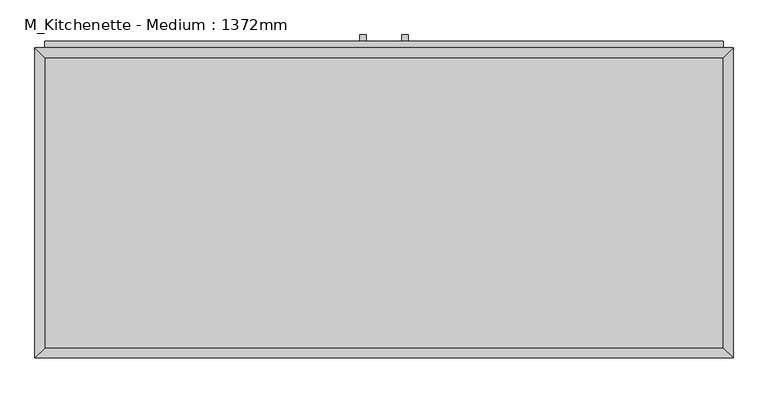
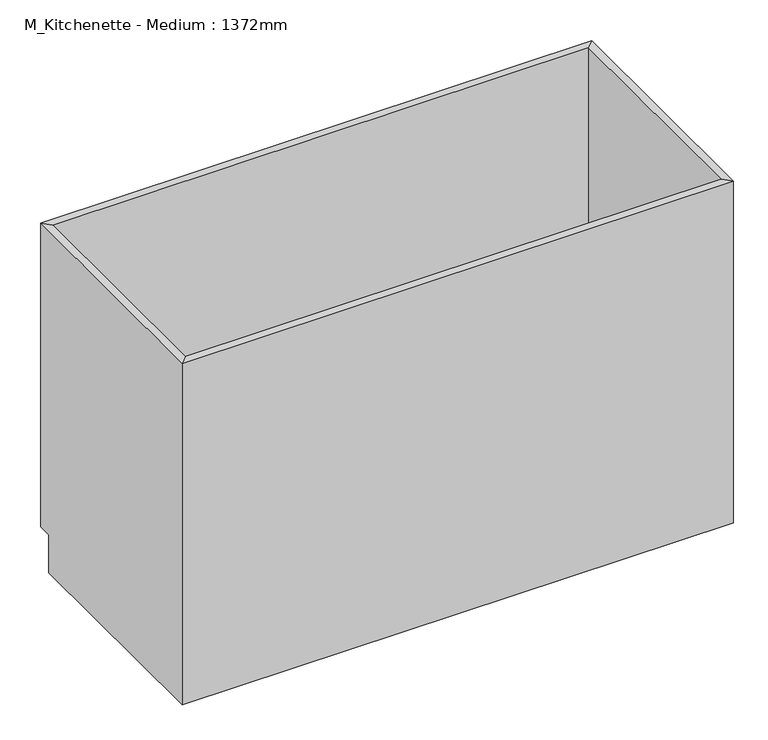
"""IFC4 building model written with IfcOpenShell, lengths in millimetres: proxy geometry, M_Kitchenette - Medium : 1372mm."""

from ifc_helpers import new_model, si_unit, frame, origin, place, context, project, spatial, polyline, outline, extrude, faceted_brep, source, transform, mapped, element, save


def m_kitchenette_medium_1372mm_39f1532f(model_context):
    return source(origin(), model_context, "Body", "SolidModel", [
        faceted_brep([(685.6877049, 590.95, 900.0), (-648.2122951, 590.95, 900.0), (-648.2122951, 590.95, 100.0), (685.6877049, 590.95, 100.0), (704.7377049, 610.0, 900.0), (-667.2622951, 610.0, 900.0), (704.7377049, 610.0, 100.0), (-667.2622951, 610.0, 100.0), (-648.2122951, 19.05, 900.0), (-648.2122951, 19.05, 100.0), (-648.2122951, 575.0, 100.0), (-667.2622951, 0.0, 900.0), (-667.2622951, 575.0, 100.0), (-667.2622951, 575.0, 0.0), (-667.2622951, 0.0, 0.0), (685.6877049, 19.05, 900.0), (685.6877049, 19.05, 100.0), (704.7377049, 0.0, 900.0), (704.7377049, 0.0, 0.0), (685.6877049, 575.0, 100.0), (704.7377049, 575.0, 0.0), (704.7377049, 575.0, 100.0)], [[[0, 1, 2, 3]], [[0, 4, 5, 1]], [[4, 6, 7, 5]], [[2, 7, 6, 3]], [[1, 8, 9, 10, 2]], [[5, 11, 8, 1]], [[7, 12, 13, 14, 11, 5]], [[2, 10, 12, 7]], [[8, 15, 16, 9]], [[11, 17, 15, 8]], [[14, 18, 17, 11]], [[3, 19, 16, 15, 0]], [[0, 15, 17, 4]], [[4, 17, 18, 20, 21, 6]], [[6, 21, 19, 3]], [[10, 9, 16, 19]], [[18, 14, 13, 20]], [[13, 12, 10, 19, 21, 20]]]),
        extrude(outline(polyline([(-16.1872951, 635.4), (-16.1872951, 622.7), (-28.8872951, 622.7), (-28.8872951, 635.4), (-16.1872951, 635.4)])), frame((0.0, 0.0, 620.6), z_axis=(0.0, 0.0, 1.0), x_axis=(1.0, 0.0, 0.0)), (0.0, 0.0, 1.0), 101.6),
        extrude(outline(polyline([(66.3627049, 635.4), (66.3627049, 622.7), (53.6627049, 622.7), (53.6627049, 635.4), (66.3627049, 635.4)])), frame((0.0, 0.0, 620.6), z_axis=(0.0, 0.0, 1.0), x_axis=(1.0, 0.0, 0.0)), (0.0, 0.0, 1.0), 101.6),
        extrude(outline(polyline([(685.6877049, 19.05), (-648.2122951, 19.05), (-648.2122951, 590.95), (685.6877049, 590.95), (685.6877049, 19.05)])), frame((0.0, 0.0, 100.0), z_axis=(0.0, 0.0, 1.0), x_axis=(1.0, 0.0, 0.0)), (0.0, 0.0, 1.0), 19.05),
        extrude(outline(polyline([(9.2127049, 622.7), (9.2127049, 610.0), (-648.2122951, 610.0), (-648.2122951, 622.7), (9.2127049, 622.7)])), frame((0.0, 0.0, 119.05), z_axis=(0.0, 0.0, 1.0), x_axis=(1.0, 0.0, 0.0)), (0.0, 0.0, 1.0), 641.25),
        extrude(outline(polyline([(685.6877049, 622.7), (685.6877049, 610.0), (28.2627049, 610.0), (28.2627049, 622.7), (685.6877049, 622.7)])), frame((0.0, 0.0, 119.05), z_axis=(0.0, 0.0, 1.0), x_axis=(1.0, 0.0, 0.0)), (0.0, 0.0, 1.0), 641.25),
        extrude(outline(polyline([(685.6877049, 622.7), (685.6877049, 610.0), (-648.2122951, 610.0), (-648.2122951, 622.7), (685.6877049, 622.7)])), frame((0.0, 0.0, 779.35), z_axis=(0.0, 0.0, 1.0), x_axis=(1.0, 0.0, 0.0)), (0.0, 0.0, 1.0), 101.6),
    ])


if __name__ == "__main__":
    model = new_model("IFC4")
    model_context = context("Model", 3, world=origin())
    ifc_project = project(units=[si_unit("LENGTHUNIT", "METRE", prefix="MILLI")], contexts=[model_context])
    site = spatial("IfcSite", under=ifc_project)
    building = spatial("IfcBuilding", under=site)
    placement = place(None, origin())
    m_kitchenette_medium_1372mm_shape = m_kitchenette_medium_1372mm_39f1532f(model_context)
    element("IfcBuildingElementProxy", 1, Name="M_Kitchenette - Medium : 1372mm", ObjectType="M_Kitchenette - Medium : 1372mm", at=placement, inside=building, context=model_context, shape_type="MappedRepresentation", body=[
        mapped(m_kitchenette_medium_1372mm_shape, transform((0.0, 0.0, 0.0), x_axis=(1.0, 0.0, 0.0), y_axis=(0.0, 1.0, 0.0), z_axis=(0.0, 0.0, 1.0))),
    ])
    save(model, "model.ifc")
